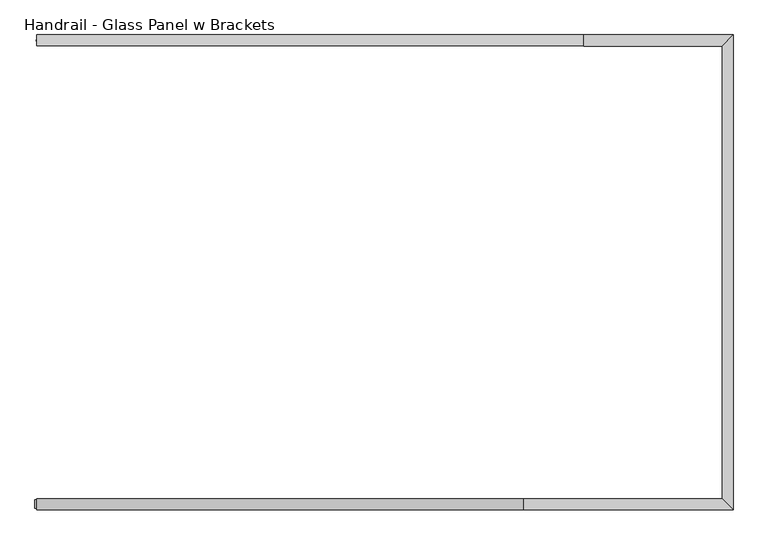
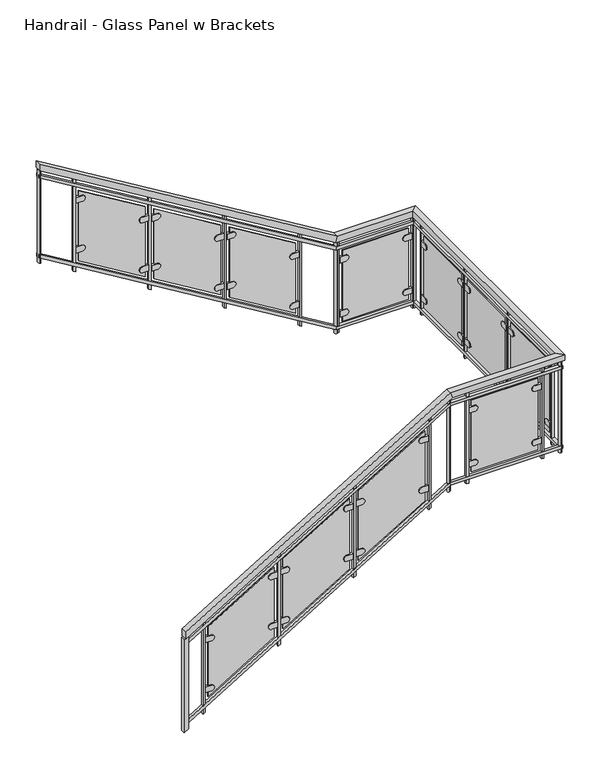
"""IFC4 building model written with IfcOpenShell, lengths in millimetres: railing geometry, Handrail - Glass Panel w Brackets."""

from ifc_helpers import new_model, si_unit, point, frame, frame_2d, origin, place, context, project, spatial, polyline, circle_curve, ellipse_curve, trimmed, segment, composite_curve, outline, extrude, faceted_brep, source, transform, mapped, element, save
from ifc_brep_helpers import plane_surface, cylinder_surface, advanced_brep


def handrail_glass_panel_w_brackets_da1cd19f(model_context):
    return source(origin(), model_context, "Body", "SolidModel", [
        faceted_brep([(-2988.7266552, 8278.177236, 1083.7333333), (-2988.7266552, 8328.977236, 1083.7333333), (-2988.7266552, 8328.977236, 1024.3318731), (-2988.7266552, 8278.177236, 1024.3318731), (-2988.7266552, 10462.577236, 3962.4), (-2988.7266552, 10462.577236, 3902.9985397), (-2988.7266552, 10411.777236, 3902.9985397), (-2988.7266552, 10411.777236, 3962.4), (-753.5266552, 8278.177236, 2438.4), (-753.5266552, 8328.977236, 2438.4), (-739.3342458, 8328.977236, 2387.6), (-739.3342458, 8278.177236, 2387.6), (211.6733448, 8278.177236, 2438.4), (160.8733448, 8328.977236, 2438.4), (160.8733448, 8328.977236, 2387.6), (211.6733448, 8278.177236, 2387.6), (211.6733448, 10462.577236, 2438.4), (160.8733448, 10411.777236, 2438.4), (160.8733448, 10411.777236, 2387.6), (211.6733448, 10462.577236, 2387.6), (-474.1266552, 10462.577236, 2438.4), (-474.1266552, 10411.777236, 2438.4), (-488.3190646, 10411.777236, 2387.6), (-488.3190646, 10462.577236, 2387.6)], [[[0, 1, 2, 3]], [[4, 5, 6, 7]], [[1, 0, 8, 9]], [[2, 1, 9, 10]], [[3, 2, 10, 11]], [[0, 3, 11, 8]], [[9, 8, 12, 13]], [[10, 9, 13, 14]], [[11, 10, 14, 15]], [[8, 11, 15, 12]], [[13, 12, 16, 17]], [[14, 13, 17, 18]], [[15, 14, 18, 19]], [[12, 15, 19, 16]], [[17, 16, 20, 21]], [[18, 17, 21, 22]], [[19, 18, 22, 23]], [[16, 19, 23, 20]], [[21, 20, 4, 7]], [[22, 21, 7, 6]], [[23, 22, 6, 5]], [[20, 23, 5, 4]]]),
        faceted_brep([(-2988.7266552, 8290.877236, 982.1333333), (-2988.7266552, 8316.277236, 982.1333333), (-2988.7266552, 8316.277236, 952.4326032), (-2988.7266552, 8290.877236, 952.4326032), (-2988.7266552, 10449.877236, 3860.8), (-2988.7266552, 10449.877236, 3831.0992699), (-2988.7266552, 10424.477236, 3831.0992699), (-2988.7266552, 10424.477236, 3860.8), (-753.5266552, 8290.877236, 2336.8), (-753.5266552, 8316.277236, 2336.8), (-746.4304505, 8316.277236, 2311.4), (-746.4304505, 8290.877236, 2311.4), (198.9733448, 8290.877236, 2336.8), (173.5733448, 8316.277236, 2336.8), (173.5733448, 8316.277236, 2311.4), (198.9733448, 8290.877236, 2311.4), (198.9733448, 10449.877236, 2336.8), (173.5733448, 10424.477236, 2336.8), (173.5733448, 10424.477236, 2311.4), (198.9733448, 10449.877236, 2311.4), (-474.1266552, 10449.877236, 2336.8), (-474.1266552, 10424.477236, 2336.8), (-481.2228599, 10424.477236, 2311.4), (-481.2228599, 10449.877236, 2311.4)], [[[0, 1, 2, 3]], [[4, 5, 6, 7]], [[1, 0, 8, 9]], [[2, 1, 9, 10]], [[3, 2, 10, 11]], [[0, 3, 11, 8]], [[9, 8, 12, 13]], [[10, 9, 13, 14]], [[11, 10, 14, 15]], [[8, 11, 15, 12]], [[13, 12, 16, 17]], [[14, 13, 17, 18]], [[15, 14, 18, 19]], [[12, 15, 19, 16]], [[17, 16, 20, 21]], [[18, 17, 21, 22]], [[19, 18, 22, 23]], [[16, 19, 23, 20]], [[21, 20, 4, 7]], [[22, 21, 7, 6]], [[23, 22, 6, 5]], [[20, 23, 5, 4]]]),
        faceted_brep([(-2988.7266552, 8290.877236, 270.9333333), (-2988.7266552, 8316.277236, 270.9333333), (-2988.7266552, 8316.277236, 241.2326032), (-2988.7266552, 8290.877236, 241.2326032), (-2988.7266552, 10449.877236, 3149.6), (-2988.7266552, 10449.877236, 3119.8992699), (-2988.7266552, 10424.477236, 3119.8992699), (-2988.7266552, 10424.477236, 3149.6), (-753.5266552, 8290.877236, 1625.6), (-753.5266552, 8316.277236, 1625.6), (-746.4304505, 8316.277236, 1600.2), (-746.4304505, 8290.877236, 1600.2), (198.9733448, 8290.877236, 1625.6), (173.5733448, 8316.277236, 1625.6), (173.5733448, 8316.277236, 1600.2), (198.9733448, 8290.877236, 1600.2), (198.9733448, 10449.877236, 1625.6), (173.5733448, 10424.477236, 1625.6), (173.5733448, 10424.477236, 1600.2), (198.9733448, 10449.877236, 1600.2), (-474.1266552, 10449.877236, 1625.6), (-474.1266552, 10424.477236, 1625.6), (-481.2228599, 10424.477236, 1600.2), (-481.2228599, 10449.877236, 1600.2)], [[[0, 1, 2, 3]], [[4, 5, 6, 7]], [[1, 0, 8, 9]], [[2, 1, 9, 10]], [[3, 2, 10, 11]], [[0, 3, 11, 8]], [[9, 8, 12, 13]], [[10, 9, 13, 14]], [[11, 10, 14, 15]], [[8, 11, 15, 12]], [[13, 12, 16, 17]], [[14, 13, 17, 18]], [[15, 14, 18, 19]], [[12, 15, 19, 16]], [[17, 16, 20, 21]], [[18, 17, 21, 22]], [[19, 18, 22, 23]], [[16, 19, 23, 20]], [[21, 20, 4, 7]], [[22, 21, 7, 6]], [[23, 22, 6, 5]], [[20, 23, 5, 4]]]),
        extrude(outline(polyline([(3712.4985397, -2674.4016552), (3724.0439943, -2693.4516552), (2895.7428874, -2693.4516552), (2884.1974329, -2674.4016552), (3712.4985397, -2674.4016552)])), frame((0.0, 10427.652236, 0.0), z_axis=(0.0, 1.0, 0.0), x_axis=(0.0, 0.0, 1.0)), (0.0, 0.0, 1.0), 19.05),
        extrude(outline(composite_curve([segment(polyline([(3545.2721069, -2620.4266552), (3545.2721069, -2671.2266552), (3494.4721069, -2671.2266552), (3494.4721069, -2620.4266552)]), True, "CONTINUOUS"), segment(trimmed(circle_curve(frame_2d((3519.8721069, -2620.4266552)), 25.4), [point((3494.4721069, -2620.4266552))], [point((3545.2721069, -2620.4266552))], False, "CARTESIAN"), True, "CONTINUOUS")], self_intersect=False)), frame((0.0, 10424.477236, 0.0), z_axis=(0.0, 1.0, 0.0), x_axis=(0.0, 0.0, 1.0)), (0.0, 0.0, 1.0), 19.05),
        extrude(outline(composite_curve([segment(trimmed(circle_curve(frame_2d((3150.4175615, -2112.4266552)), 25.4), [point((3175.8175615, -2112.4266552))], [point((3125.0175615, -2112.4266552))], False, "CARTESIAN"), True, "CONTINUOUS"), segment(polyline([(3125.0175615, -2112.4266552), (3125.0175615, -2061.6266552), (3175.8175615, -2061.6266552), (3175.8175615, -2112.4266552)]), True, "CONTINUOUS")], self_intersect=False)), frame((0.0, 10424.477236, 0.0), z_axis=(0.0, 1.0, 0.0), x_axis=(0.0, 0.0, 1.0)), (0.0, 0.0, 1.0), 19.05),
        extrude(outline(composite_curve([segment(polyline([(3101.3786781, -2620.4266552), (3101.3786781, -2671.2266552), (3050.5786781, -2671.2266552), (3050.5786781, -2620.4266552)]), True, "CONTINUOUS"), segment(trimmed(circle_curve(frame_2d((3075.9786781, -2620.4266552)), 25.4), [point((3050.5786781, -2620.4266552))], [point((3101.3786781, -2620.4266552))], False, "CARTESIAN"), True, "CONTINUOUS")], self_intersect=False)), frame((0.0, 10424.477236, 0.0), z_axis=(0.0, 1.0, 0.0), x_axis=(0.0, 0.0, 1.0)), (0.0, 0.0, 1.0), 19.05),
        extrude(outline(composite_curve([segment(trimmed(circle_curve(frame_2d((2706.5241326, -2112.4266552)), 25.4), [point((2731.9241326, -2112.4266552))], [point((2681.1241326, -2112.4266552))], False, "CARTESIAN"), True, "CONTINUOUS"), segment(polyline([(2681.1241326, -2112.4266552), (2681.1241326, -2061.6266552), (2731.9241326, -2061.6266552), (2731.9241326, -2112.4266552)]), True, "CONTINUOUS")], self_intersect=False)), frame((0.0, 10424.477236, 0.0), z_axis=(0.0, 1.0, 0.0), x_axis=(0.0, 0.0, 1.0)), (0.0, 0.0, 1.0), 19.05),
        extrude(outline(polyline([(3254.9136913, -2087.0266552), (3593.5803579, -2645.8266552), (2971.4825483, -2645.8266552), (2632.8158816, -2087.0266552), (3254.9136913, -2087.0266552)])), frame((0.0, 10430.827236, 0.0), z_axis=(0.0, 1.0, 0.0), x_axis=(0.0, 0.0, 1.0)), (0.0, 0.0, 1.0), 6.35),
        extrude(outline(polyline([(3327.6500549, -2039.4016552), (3339.1955094, -2058.4516552), (2510.8944026, -2058.4516552), (2499.348948, -2039.4016552), (3327.6500549, -2039.4016552)])), frame((0.0, 10427.652236, 0.0), z_axis=(0.0, 1.0, 0.0), x_axis=(0.0, 0.0, 1.0)), (0.0, 0.0, 1.0), 19.05),
        extrude(outline(composite_curve([segment(polyline([(3160.4236221, -1985.4266552), (3160.4236221, -2036.2266552), (3109.6236221, -2036.2266552), (3109.6236221, -1985.4266552)]), True, "CONTINUOUS"), segment(trimmed(circle_curve(frame_2d((3135.0236221, -1985.4266552)), 25.4), [point((3109.6236221, -1985.4266552))], [point((3160.4236221, -1985.4266552))], False, "CARTESIAN"), True, "CONTINUOUS")], self_intersect=False)), frame((0.0, 10424.477236, 0.0), z_axis=(0.0, 1.0, 0.0), x_axis=(0.0, 0.0, 1.0)), (0.0, 0.0, 1.0), 19.05),
        extrude(outline(composite_curve([segment(trimmed(circle_curve(frame_2d((2765.5690766, -1477.4266552)), 25.4), [point((2790.9690766, -1477.4266552))], [point((2740.1690766, -1477.4266552))], False, "CARTESIAN"), True, "CONTINUOUS"), segment(polyline([(2740.1690766, -1477.4266552), (2740.1690766, -1426.6266552), (2790.9690766, -1426.6266552), (2790.9690766, -1477.4266552)]), True, "CONTINUOUS")], self_intersect=False)), frame((0.0, 10424.477236, 0.0), z_axis=(0.0, 1.0, 0.0), x_axis=(0.0, 0.0, 1.0)), (0.0, 0.0, 1.0), 19.05),
        extrude(outline(composite_curve([segment(polyline([(2716.5301932, -1985.4266552), (2716.5301932, -2036.2266552), (2665.7301932, -2036.2266552), (2665.7301932, -1985.4266552)]), True, "CONTINUOUS"), segment(trimmed(circle_curve(frame_2d((2691.1301932, -1985.4266552)), 25.4), [point((2665.7301932, -1985.4266552))], [point((2716.5301932, -1985.4266552))], False, "CARTESIAN"), True, "CONTINUOUS")], self_intersect=False)), frame((0.0, 10424.477236, 0.0), z_axis=(0.0, 1.0, 0.0), x_axis=(0.0, 0.0, 1.0)), (0.0, 0.0, 1.0), 19.05),
        extrude(outline(composite_curve([segment(trimmed(circle_curve(frame_2d((2321.6756478, -1477.4266552)), 25.4), [point((2347.0756478, -1477.4266552))], [point((2296.2756478, -1477.4266552))], False, "CARTESIAN"), True, "CONTINUOUS"), segment(polyline([(2296.2756478, -1477.4266552), (2296.2756478, -1426.6266552), (2347.0756478, -1426.6266552), (2347.0756478, -1477.4266552)]), True, "CONTINUOUS")], self_intersect=False)), frame((0.0, 10424.477236, 0.0), z_axis=(0.0, 1.0, 0.0), x_axis=(0.0, 0.0, 1.0)), (0.0, 0.0, 1.0), 19.05),
        extrude(outline(polyline([(2870.0652064, -1452.0266552), (3208.7318731, -2010.8266552), (2586.6340635, -2010.8266552), (2247.9673968, -1452.0266552), (2870.0652064, -1452.0266552)])), frame((0.0, 10430.827236, 0.0), z_axis=(0.0, 1.0, 0.0), x_axis=(0.0, 0.0, 1.0)), (0.0, 0.0, 1.0), 6.35),
        extrude(outline(polyline([(2942.80157, -1404.4016552), (2954.3470246, -1423.4516552), (2126.0459177, -1423.4516552), (2114.5004632, -1404.4016552), (2942.80157, -1404.4016552)])), frame((0.0, 10427.652236, 0.0), z_axis=(0.0, 1.0, 0.0), x_axis=(0.0, 0.0, 1.0)), (0.0, 0.0, 1.0), 19.05),
        extrude(outline(composite_curve([segment(polyline([(2775.5751372, -1350.4266552), (2775.5751372, -1401.2266552), (2724.7751372, -1401.2266552), (2724.7751372, -1350.4266552)]), True, "CONTINUOUS"), segment(trimmed(circle_curve(frame_2d((2750.1751372, -1350.4266552)), 25.4), [point((2724.7751372, -1350.4266552))], [point((2775.5751372, -1350.4266552))], False, "CARTESIAN"), True, "CONTINUOUS")], self_intersect=False)), frame((0.0, 10424.477236, 0.0), z_axis=(0.0, 1.0, 0.0), x_axis=(0.0, 0.0, 1.0)), (0.0, 0.0, 1.0), 19.05),
        extrude(outline(composite_curve([segment(trimmed(circle_curve(frame_2d((2380.7205918, -842.4266552)), 25.4), [point((2406.1205918, -842.4266552))], [point((2355.3205918, -842.4266552))], False, "CARTESIAN"), True, "CONTINUOUS"), segment(polyline([(2355.3205918, -842.4266552), (2355.3205918, -791.6266552), (2406.1205918, -791.6266552), (2406.1205918, -842.4266552)]), True, "CONTINUOUS")], self_intersect=False)), frame((0.0, 10424.477236, 0.0), z_axis=(0.0, 1.0, 0.0), x_axis=(0.0, 0.0, 1.0)), (0.0, 0.0, 1.0), 19.05),
        extrude(outline(composite_curve([segment(polyline([(2331.6817084, -1350.4266552), (2331.6817084, -1401.2266552), (2280.8817084, -1401.2266552), (2280.8817084, -1350.4266552)]), True, "CONTINUOUS"), segment(trimmed(circle_curve(frame_2d((2306.2817084, -1350.4266552)), 25.4), [point((2280.8817084, -1350.4266552))], [point((2331.6817084, -1350.4266552))], False, "CARTESIAN"), True, "CONTINUOUS")], self_intersect=False)), frame((0.0, 10424.477236, 0.0), z_axis=(0.0, 1.0, 0.0), x_axis=(0.0, 0.0, 1.0)), (0.0, 0.0, 1.0), 19.05),
        extrude(outline(composite_curve([segment(trimmed(circle_curve(frame_2d((1936.8271629, -842.4266552)), 25.4), [point((1962.2271629, -842.4266552))], [point((1911.4271629, -842.4266552))], False, "CARTESIAN"), True, "CONTINUOUS"), segment(polyline([(1911.4271629, -842.4266552), (1911.4271629, -791.6266552), (1962.2271629, -791.6266552), (1962.2271629, -842.4266552)]), True, "CONTINUOUS")], self_intersect=False)), frame((0.0, 10424.477236, 0.0), z_axis=(0.0, 1.0, 0.0), x_axis=(0.0, 0.0, 1.0)), (0.0, 0.0, 1.0), 19.05),
        extrude(outline(polyline([(2485.2167216, -817.0266552), (2823.8833882, -1375.8266552), (2201.7855786, -1375.8266552), (1863.1189119, -817.0266552), (2485.2167216, -817.0266552)])), frame((0.0, 10430.827236, 0.0), z_axis=(0.0, 1.0, 0.0), x_axis=(0.0, 0.0, 1.0)), (0.0, 0.0, 1.0), 6.35),
        extrude(outline(polyline([(2557.9530852, -769.4016552), (2569.4985397, -788.4516552), (1741.1974329, -788.4516552), (1729.6519783, -769.4016552), (2557.9530852, -769.4016552)])), frame((0.0, 10427.652236, 0.0), z_axis=(0.0, 1.0, 0.0), x_axis=(0.0, 0.0, 1.0)), (0.0, 0.0, 1.0), 19.05),
        extrude(outline(polyline([(-451.9016552, 10446.702236), (-451.9016552, 10427.652236), (-470.9516552, 10427.652236), (-470.9516552, 10446.702236), (-451.9016552, 10446.702236)])), frame((0.0, 0.0, 1565.275), z_axis=(0.0, 0.0, 1.0), x_axis=(1.0, 0.0, 0.0)), (0.0, 0.0, 1.0), 822.325),
        extrude(outline(composite_curve([segment(polyline([(2235.2, -397.9266552), (2235.2, -448.7266552), (2184.4, -448.7266552), (2184.4, -397.9266552)]), True, "CONTINUOUS"), segment(trimmed(circle_curve(frame_2d((2209.8, -397.9266552)), 25.4), [point((2184.4, -397.9266552))], [point((2235.2, -397.9266552))], False, "CARTESIAN"), True, "CONTINUOUS")], self_intersect=False)), frame((0.0, 10424.477236, 0.0), z_axis=(0.0, 1.0, 0.0), x_axis=(0.0, 0.0, 1.0)), (0.0, 0.0, 1.0), 19.05),
        extrude(outline(composite_curve([segment(trimmed(circle_curve(frame_2d((2209.8, 110.0733448)), 25.4), [point((2235.2, 110.0733448))], [point((2184.4, 110.0733448))], False, "CARTESIAN"), True, "CONTINUOUS"), segment(polyline([(2184.4, 110.0733448), (2184.4, 160.8733448), (2235.2, 160.8733448), (2235.2, 110.0733448)]), True, "CONTINUOUS")], self_intersect=False)), frame((0.0, 10424.477236, 0.0), z_axis=(0.0, 1.0, 0.0), x_axis=(0.0, 0.0, 1.0)), (0.0, 0.0, 1.0), 19.05),
        extrude(outline(composite_curve([segment(polyline([(1752.6, -397.9266552), (1752.6, -448.7266552), (1701.8, -448.7266552), (1701.8, -397.9266552)]), True, "CONTINUOUS"), segment(trimmed(circle_curve(frame_2d((1727.2, -397.9266552)), 25.4), [point((1701.8, -397.9266552))], [point((1752.6, -397.9266552))], False, "CARTESIAN"), True, "CONTINUOUS")], self_intersect=False)), frame((0.0, 10424.477236, 0.0), z_axis=(0.0, 1.0, 0.0), x_axis=(0.0, 0.0, 1.0)), (0.0, 0.0, 1.0), 19.05),
        extrude(outline(composite_curve([segment(trimmed(circle_curve(frame_2d((1727.2, 110.0733448)), 25.4), [point((1752.6, 110.0733448))], [point((1701.8, 110.0733448))], False, "CARTESIAN"), True, "CONTINUOUS"), segment(polyline([(1701.8, 110.0733448), (1701.8, 160.8733448), (1752.6, 160.8733448), (1752.6, 110.0733448)]), True, "CONTINUOUS")], self_intersect=False)), frame((0.0, 10424.477236, 0.0), z_axis=(0.0, 1.0, 0.0), x_axis=(0.0, 0.0, 1.0)), (0.0, 0.0, 1.0), 19.05),
        extrude(outline(polyline([(135.4733448, 10430.827236), (-423.3266552, 10430.827236), (-423.3266552, 10437.177236), (135.4733448, 10437.177236), (135.4733448, 10430.827236)])), frame((0.0, 0.0, 1651.0), z_axis=(0.0, 0.0, 1.0), x_axis=(1.0, 0.0, 0.0)), (0.0, 0.0, 1.0), 635.0),
        extrude(outline(polyline([(183.0983448, 10446.702236), (183.0983448, 10427.652236), (164.0483448, 10427.652236), (164.0483448, 10446.702236), (183.0983448, 10446.702236)])), frame((0.0, 0.0, 1565.275), z_axis=(0.0, 0.0, 1.0), x_axis=(1.0, 0.0, 0.0)), (0.0, 0.0, 1.0), 822.325),
        extrude(outline(polyline([(195.7983448, 10313.352236), (176.7483448, 10313.352236), (176.7483448, 10332.402236), (195.7983448, 10332.402236), (195.7983448, 10313.352236)])), frame((0.0, 0.0, 1565.275), z_axis=(0.0, 0.0, 1.0), x_axis=(1.0, 0.0, 0.0)), (0.0, 0.0, 1.0), 822.325),
        extrude(outline(composite_curve([segment(polyline([(10259.377236, 2235.2), (10310.177236, 2235.2), (10310.177236, 2184.4), (10259.377236, 2184.4)]), True, "CONTINUOUS"), segment(trimmed(circle_curve(frame_2d((10259.377236, 2209.8)), 25.4), [point((10259.377236, 2184.4))], [point((10259.377236, 2235.2))], False, "CARTESIAN"), True, "CONTINUOUS")], self_intersect=False)), frame((173.5733448, 0.0, 0.0), z_axis=(1.0, 0.0, 0.0), x_axis=(0.0, 1.0, 0.0)), (0.0, 0.0, 1.0), 19.05),
        extrude(outline(composite_curve([segment(trimmed(circle_curve(frame_2d((9751.377236, 2209.8)), 25.4), [point((9751.377236, 2235.2))], [point((9751.377236, 2184.4))], False, "CARTESIAN"), True, "CONTINUOUS"), segment(polyline([(9751.377236, 2184.4), (9700.577236, 2184.4), (9700.577236, 2235.2), (9751.377236, 2235.2)]), True, "CONTINUOUS")], self_intersect=False)), frame((173.5733448, 0.0, 0.0), z_axis=(1.0, 0.0, 0.0), x_axis=(0.0, 1.0, 0.0)), (0.0, 0.0, 1.0), 19.05),
        extrude(outline(composite_curve([segment(polyline([(10259.377236, 1752.6), (10310.177236, 1752.6), (10310.177236, 1701.8), (10259.377236, 1701.8)]), True, "CONTINUOUS"), segment(trimmed(circle_curve(frame_2d((10259.377236, 1727.2)), 25.4), [point((10259.377236, 1701.8))], [point((10259.377236, 1752.6))], False, "CARTESIAN"), True, "CONTINUOUS")], self_intersect=False)), frame((173.5733448, 0.0, 0.0), z_axis=(1.0, 0.0, 0.0), x_axis=(0.0, 1.0, 0.0)), (0.0, 0.0, 1.0), 19.05),
        extrude(outline(composite_curve([segment(trimmed(circle_curve(frame_2d((9751.377236, 1727.2)), 25.4), [point((9751.377236, 1752.6))], [point((9751.377236, 1701.8))], False, "CARTESIAN"), True, "CONTINUOUS"), segment(polyline([(9751.377236, 1701.8), (9700.577236, 1701.8), (9700.577236, 1752.6), (9751.377236, 1752.6)]), True, "CONTINUOUS")], self_intersect=False)), frame((173.5733448, 0.0, 0.0), z_axis=(1.0, 0.0, 0.0), x_axis=(0.0, 1.0, 0.0)), (0.0, 0.0, 1.0), 19.05),
        extrude(outline(polyline([(179.9233448, 9725.977236), (179.9233448, 10284.777236), (186.2733448, 10284.777236), (186.2733448, 9725.977236), (179.9233448, 9725.977236)])), frame((0.0, 0.0, 1651.0), z_axis=(0.0, 0.0, 1.0), x_axis=(1.0, 0.0, 0.0)), (0.0, 0.0, 1.0), 635.0),
        extrude(outline(polyline([(195.7983448, 9678.352236), (176.7483448, 9678.352236), (176.7483448, 9697.402236), (195.7983448, 9697.402236), (195.7983448, 9678.352236)])), frame((0.0, 0.0, 1565.275), z_axis=(0.0, 0.0, 1.0), x_axis=(1.0, 0.0, 0.0)), (0.0, 0.0, 1.0), 822.325),
        extrude(outline(composite_curve([segment(polyline([(9624.377236, 2235.2), (9675.177236, 2235.2), (9675.177236, 2184.4), (9624.377236, 2184.4)]), True, "CONTINUOUS"), segment(trimmed(circle_curve(frame_2d((9624.377236, 2209.8)), 25.4), [point((9624.377236, 2184.4))], [point((9624.377236, 2235.2))], False, "CARTESIAN"), True, "CONTINUOUS")], self_intersect=False)), frame((173.5733448, 0.0, 0.0), z_axis=(1.0, 0.0, 0.0), x_axis=(0.0, 1.0, 0.0)), (0.0, 0.0, 1.0), 19.05),
        extrude(outline(composite_curve([segment(trimmed(circle_curve(frame_2d((9116.377236, 2209.8)), 25.4), [point((9116.377236, 2235.2))], [point((9116.377236, 2184.4))], False, "CARTESIAN"), True, "CONTINUOUS"), segment(polyline([(9116.377236, 2184.4), (9065.577236, 2184.4), (9065.577236, 2235.2), (9116.377236, 2235.2)]), True, "CONTINUOUS")], self_intersect=False)), frame((173.5733448, 0.0, 0.0), z_axis=(1.0, 0.0, 0.0), x_axis=(0.0, 1.0, 0.0)), (0.0, 0.0, 1.0), 19.05),
        extrude(outline(composite_curve([segment(polyline([(9624.377236, 1752.6), (9675.177236, 1752.6), (9675.177236, 1701.8), (9624.377236, 1701.8)]), True, "CONTINUOUS"), segment(trimmed(circle_curve(frame_2d((9624.377236, 1727.2)), 25.4), [point((9624.377236, 1701.8))], [point((9624.377236, 1752.6))], False, "CARTESIAN"), True, "CONTINUOUS")], self_intersect=False)), frame((173.5733448, 0.0, 0.0), z_axis=(1.0, 0.0, 0.0), x_axis=(0.0, 1.0, 0.0)), (0.0, 0.0, 1.0), 19.05),
        extrude(outline(composite_curve([segment(trimmed(circle_curve(frame_2d((9116.377236, 1727.2)), 25.4), [point((9116.377236, 1752.6))], [point((9116.377236, 1701.8))], False, "CARTESIAN"), True, "CONTINUOUS"), segment(polyline([(9116.377236, 1701.8), (9065.577236, 1701.8), (9065.577236, 1752.6), (9116.377236, 1752.6)]), True, "CONTINUOUS")], self_intersect=False)), frame((173.5733448, 0.0, 0.0), z_axis=(1.0, 0.0, 0.0), x_axis=(0.0, 1.0, 0.0)), (0.0, 0.0, 1.0), 19.05),
        extrude(outline(polyline([(179.9233448, 9090.977236), (179.9233448, 9649.777236), (186.2733448, 9649.777236), (186.2733448, 9090.977236), (179.9233448, 9090.977236)])), frame((0.0, 0.0, 1651.0), z_axis=(0.0, 0.0, 1.0), x_axis=(1.0, 0.0, 0.0)), (0.0, 0.0, 1.0), 635.0),
        extrude(outline(polyline([(195.7983448, 9043.352236), (176.7483448, 9043.352236), (176.7483448, 9062.402236), (195.7983448, 9062.402236), (195.7983448, 9043.352236)])), frame((0.0, 0.0, 1565.275), z_axis=(0.0, 0.0, 1.0), x_axis=(1.0, 0.0, 0.0)), (0.0, 0.0, 1.0), 822.325),
        extrude(outline(composite_curve([segment(polyline([(8989.377236, 2235.2), (9040.177236, 2235.2), (9040.177236, 2184.4), (8989.377236, 2184.4)]), True, "CONTINUOUS"), segment(trimmed(circle_curve(frame_2d((8989.377236, 2209.8)), 25.4), [point((8989.377236, 2184.4))], [point((8989.377236, 2235.2))], False, "CARTESIAN"), True, "CONTINUOUS")], self_intersect=False)), frame((173.5733448, 0.0, 0.0), z_axis=(1.0, 0.0, 0.0), x_axis=(0.0, 1.0, 0.0)), (0.0, 0.0, 1.0), 19.05),
        extrude(outline(composite_curve([segment(trimmed(circle_curve(frame_2d((8481.377236, 2209.8)), 25.4), [point((8481.377236, 2235.2))], [point((8481.377236, 2184.4))], False, "CARTESIAN"), True, "CONTINUOUS"), segment(polyline([(8481.377236, 2184.4), (8430.577236, 2184.4), (8430.577236, 2235.2), (8481.377236, 2235.2)]), True, "CONTINUOUS")], self_intersect=False)), frame((173.5733448, 0.0, 0.0), z_axis=(1.0, 0.0, 0.0), x_axis=(0.0, 1.0, 0.0)), (0.0, 0.0, 1.0), 19.05),
        extrude(outline(composite_curve([segment(polyline([(8989.377236, 1752.6), (9040.177236, 1752.6), (9040.177236, 1701.8), (8989.377236, 1701.8)]), True, "CONTINUOUS"), segment(trimmed(circle_curve(frame_2d((8989.377236, 1727.2)), 25.4), [point((8989.377236, 1701.8))], [point((8989.377236, 1752.6))], False, "CARTESIAN"), True, "CONTINUOUS")], self_intersect=False)), frame((173.5733448, 0.0, 0.0), z_axis=(1.0, 0.0, 0.0), x_axis=(0.0, 1.0, 0.0)), (0.0, 0.0, 1.0), 19.05),
        extrude(outline(composite_curve([segment(trimmed(circle_curve(frame_2d((8481.377236, 1727.2)), 25.4), [point((8481.377236, 1752.6))], [point((8481.377236, 1701.8))], False, "CARTESIAN"), True, "CONTINUOUS"), segment(polyline([(8481.377236, 1701.8), (8430.577236, 1701.8), (8430.577236, 1752.6), (8481.377236, 1752.6)]), True, "CONTINUOUS")], self_intersect=False)), frame((173.5733448, 0.0, 0.0), z_axis=(1.0, 0.0, 0.0), x_axis=(0.0, 1.0, 0.0)), (0.0, 0.0, 1.0), 19.05),
        extrude(outline(polyline([(179.9233448, 8455.977236), (179.9233448, 9014.777236), (186.2733448, 9014.777236), (186.2733448, 8455.977236), (179.9233448, 8455.977236)])), frame((0.0, 0.0, 1651.0), z_axis=(0.0, 0.0, 1.0), x_axis=(1.0, 0.0, 0.0)), (0.0, 0.0, 1.0), 635.0),
        extrude(outline(polyline([(195.7983448, 8408.352236), (176.7483448, 8408.352236), (176.7483448, 8427.402236), (195.7983448, 8427.402236), (195.7983448, 8408.352236)])), frame((0.0, 0.0, 1565.275), z_axis=(0.0, 0.0, 1.0), x_axis=(1.0, 0.0, 0.0)), (0.0, 0.0, 1.0), 822.325),
        extrude(outline(polyline([(24.3483448, 8294.052236), (24.3483448, 8313.102236), (43.3983448, 8313.102236), (43.3983448, 8294.052236), (24.3483448, 8294.052236)])), frame((0.0, 0.0, 1565.275), z_axis=(0.0, 0.0, 1.0), x_axis=(1.0, 0.0, 0.0)), (0.0, 0.0, 1.0), 822.325),
        extrude(outline(composite_curve([segment(trimmed(circle_curve(frame_2d((2209.8, -29.6266552)), 25.4), [point((2235.2, -29.6266552))], [point((2184.4, -29.6266552))], False, "CARTESIAN"), True, "CONTINUOUS"), segment(polyline([(2184.4, -29.6266552), (2184.4, 21.1733448), (2235.2, 21.1733448), (2235.2, -29.6266552)]), True, "CONTINUOUS")], self_intersect=False)), frame((0.0, 8297.227236, 0.0), z_axis=(0.0, 1.0, 0.0), x_axis=(0.0, 0.0, 1.0)), (0.0, 0.0, 1.0), 19.05),
        extrude(outline(composite_curve([segment(polyline([(2235.2, -537.6266552), (2235.2, -588.4266552), (2184.4, -588.4266552), (2184.4, -537.6266552)]), True, "CONTINUOUS"), segment(trimmed(circle_curve(frame_2d((2209.8, -537.6266552)), 25.4), [point((2184.4, -537.6266552))], [point((2235.2, -537.6266552))], False, "CARTESIAN"), True, "CONTINUOUS")], self_intersect=False)), frame((0.0, 8297.227236, 0.0), z_axis=(0.0, 1.0, 0.0), x_axis=(0.0, 0.0, 1.0)), (0.0, 0.0, 1.0), 19.05),
        extrude(outline(composite_curve([segment(trimmed(circle_curve(frame_2d((1727.2, -29.6266552)), 25.4), [point((1752.6, -29.6266552))], [point((1701.8, -29.6266552))], False, "CARTESIAN"), True, "CONTINUOUS"), segment(polyline([(1701.8, -29.6266552), (1701.8, 21.1733448), (1752.6, 21.1733448), (1752.6, -29.6266552)]), True, "CONTINUOUS")], self_intersect=False)), frame((0.0, 8297.227236, 0.0), z_axis=(0.0, 1.0, 0.0), x_axis=(0.0, 0.0, 1.0)), (0.0, 0.0, 1.0), 19.05),
        extrude(outline(composite_curve([segment(polyline([(1752.6, -537.6266552), (1752.6, -588.4266552), (1701.8, -588.4266552), (1701.8, -537.6266552)]), True, "CONTINUOUS"), segment(trimmed(circle_curve(frame_2d((1727.2, -537.6266552)), 25.4), [point((1701.8, -537.6266552))], [point((1752.6, -537.6266552))], False, "CARTESIAN"), True, "CONTINUOUS")], self_intersect=False)), frame((0.0, 8297.227236, 0.0), z_axis=(0.0, 1.0, 0.0), x_axis=(0.0, 0.0, 1.0)), (0.0, 0.0, 1.0), 19.05),
        extrude(outline(polyline([(-563.0266552, 8309.927236), (-4.2266552, 8309.927236), (-4.2266552, 8303.577236), (-563.0266552, 8303.577236), (-563.0266552, 8309.927236)])), frame((0.0, 0.0, 1651.0), z_axis=(0.0, 0.0, 1.0), x_axis=(1.0, 0.0, 0.0)), (0.0, 0.0, 1.0), 635.0),
        extrude(outline(polyline([(-610.6516552, 8294.052236), (-610.6516552, 8313.102236), (-591.6016552, 8313.102236), (-591.6016552, 8294.052236), (-610.6516552, 8294.052236)])), frame((0.0, 0.0, 1565.275), z_axis=(0.0, 0.0, 1.0), x_axis=(1.0, 0.0, 0.0)), (0.0, 0.0, 1.0), 822.325),
        extrude(outline(polyline([(2284.710661, -909.1016552), (2273.1652064, -928.1516552), (1444.8640995, -928.1516552), (1456.4095541, -909.1016552), (2284.710661, -909.1016552)])), frame((0.0, 8294.052236, 0.0), z_axis=(0.0, 1.0, 0.0), x_axis=(0.0, 0.0, 1.0)), (0.0, 0.0, 1.0), 19.05),
        extrude(outline(composite_curve([segment(trimmed(circle_curve(frame_2d((2080.5387736, -982.1266552)), 25.4), [point((2105.9387736, -982.1266552))], [point((2055.1387736, -982.1266552))], False, "CARTESIAN"), True, "CONTINUOUS"), segment(polyline([(2055.1387736, -982.1266552), (2055.1387736, -931.3266552), (2105.9387736, -931.3266552), (2105.9387736, -982.1266552)]), True, "CONTINUOUS")], self_intersect=False)), frame((0.0, 8297.227236, 0.0), z_axis=(0.0, 1.0, 0.0), x_axis=(0.0, 0.0, 1.0)), (0.0, 0.0, 1.0), 19.05),
        extrude(outline(composite_curve([segment(polyline([(1736.4842282, -1490.1266552), (1736.4842282, -1540.9266552), (1685.6842282, -1540.9266552), (1685.6842282, -1490.1266552)]), True, "CONTINUOUS"), segment(trimmed(circle_curve(frame_2d((1711.0842282, -1490.1266552)), 25.4), [point((1685.6842282, -1490.1266552))], [point((1736.4842282, -1490.1266552))], False, "CARTESIAN"), True, "CONTINUOUS")], self_intersect=False)), frame((0.0, 8297.227236, 0.0), z_axis=(0.0, 1.0, 0.0), x_axis=(0.0, 0.0, 1.0)), (0.0, 0.0, 1.0), 19.05),
        extrude(outline(composite_curve([segment(trimmed(circle_curve(frame_2d((1636.6453447, -982.1266552)), 25.4), [point((1662.0453447, -982.1266552))], [point((1611.2453447, -982.1266552))], False, "CARTESIAN"), True, "CONTINUOUS"), segment(polyline([(1611.2453447, -982.1266552), (1611.2453447, -931.3266552), (1662.0453447, -931.3266552), (1662.0453447, -982.1266552)]), True, "CONTINUOUS")], self_intersect=False)), frame((0.0, 8297.227236, 0.0), z_axis=(0.0, 1.0, 0.0), x_axis=(0.0, 0.0, 1.0)), (0.0, 0.0, 1.0), 19.05),
        extrude(outline(composite_curve([segment(polyline([(1292.5907993, -1490.1266552), (1292.5907993, -1540.9266552), (1241.7907993, -1540.9266552), (1241.7907993, -1490.1266552)]), True, "CONTINUOUS"), segment(trimmed(circle_curve(frame_2d((1267.1907993, -1490.1266552)), 25.4), [point((1241.7907993, -1490.1266552))], [point((1292.5907993, -1490.1266552))], False, "CARTESIAN"), True, "CONTINUOUS")], self_intersect=False)), frame((0.0, 8297.227236, 0.0), z_axis=(0.0, 1.0, 0.0), x_axis=(0.0, 0.0, 1.0)), (0.0, 0.0, 1.0), 19.05),
        extrude(outline(polyline([(1815.5803579, -1515.5266552), (1193.4825483, -1515.5266552), (1532.149215, -956.7266552), (2154.2470246, -956.7266552), (1815.5803579, -1515.5266552)])), frame((0.0, 8303.577236, 0.0), z_axis=(0.0, 1.0, 0.0), x_axis=(0.0, 0.0, 1.0)), (0.0, 0.0, 1.0), 6.35),
        extrude(outline(polyline([(1899.8621761, -1544.1016552), (1888.3167216, -1563.1516552), (1060.0156147, -1563.1516552), (1071.5610692, -1544.1016552), (1899.8621761, -1544.1016552)])), frame((0.0, 8294.052236, 0.0), z_axis=(0.0, 1.0, 0.0), x_axis=(0.0, 0.0, 1.0)), (0.0, 0.0, 1.0), 19.05),
        extrude(outline(composite_curve([segment(trimmed(circle_curve(frame_2d((1695.6902888, -1617.1266552)), 25.4), [point((1721.0902888, -1617.1266552))], [point((1670.2902888, -1617.1266552))], False, "CARTESIAN"), True, "CONTINUOUS"), segment(polyline([(1670.2902888, -1617.1266552), (1670.2902888, -1566.3266552), (1721.0902888, -1566.3266552), (1721.0902888, -1617.1266552)]), True, "CONTINUOUS")], self_intersect=False)), frame((0.0, 8297.227236, 0.0), z_axis=(0.0, 1.0, 0.0), x_axis=(0.0, 0.0, 1.0)), (0.0, 0.0, 1.0), 19.05),
        extrude(outline(composite_curve([segment(polyline([(1351.6357433, -2125.1266552), (1351.6357433, -2175.9266552), (1300.8357433, -2175.9266552), (1300.8357433, -2125.1266552)]), True, "CONTINUOUS"), segment(trimmed(circle_curve(frame_2d((1326.2357433, -2125.1266552)), 25.4), [point((1300.8357433, -2125.1266552))], [point((1351.6357433, -2125.1266552))], False, "CARTESIAN"), True, "CONTINUOUS")], self_intersect=False)), frame((0.0, 8297.227236, 0.0), z_axis=(0.0, 1.0, 0.0), x_axis=(0.0, 0.0, 1.0)), (0.0, 0.0, 1.0), 19.05),
        extrude(outline(composite_curve([segment(trimmed(circle_curve(frame_2d((1251.7968599, -1617.1266552)), 25.4), [point((1277.1968599, -1617.1266552))], [point((1226.3968599, -1617.1266552))], False, "CARTESIAN"), True, "CONTINUOUS"), segment(polyline([(1226.3968599, -1617.1266552), (1226.3968599, -1566.3266552), (1277.1968599, -1566.3266552), (1277.1968599, -1617.1266552)]), True, "CONTINUOUS")], self_intersect=False)), frame((0.0, 8297.227236, 0.0), z_axis=(0.0, 1.0, 0.0), x_axis=(0.0, 0.0, 1.0)), (0.0, 0.0, 1.0), 19.05),
        extrude(outline(composite_curve([segment(polyline([(907.7423144, -2125.1266552), (907.7423144, -2175.9266552), (856.9423144, -2175.9266552), (856.9423144, -2125.1266552)]), True, "CONTINUOUS"), segment(trimmed(circle_curve(frame_2d((882.3423144, -2125.1266552)), 25.4), [point((856.9423144, -2125.1266552))], [point((907.7423144, -2125.1266552))], False, "CARTESIAN"), True, "CONTINUOUS")], self_intersect=False)), frame((0.0, 8297.227236, 0.0), z_axis=(0.0, 1.0, 0.0), x_axis=(0.0, 0.0, 1.0)), (0.0, 0.0, 1.0), 19.05),
        extrude(outline(polyline([(1430.7318731, -2150.5266552), (808.6340635, -2150.5266552), (1147.3007301, -1591.7266552), (1769.3985397, -1591.7266552), (1430.7318731, -2150.5266552)])), frame((0.0, 8303.577236, 0.0), z_axis=(0.0, 1.0, 0.0), x_axis=(0.0, 0.0, 1.0)), (0.0, 0.0, 1.0), 6.35),
        extrude(outline(polyline([(1515.0136913, -2179.1016552), (1503.4682367, -2198.1516552), (675.1671298, -2198.1516552), (686.7125844, -2179.1016552), (1515.0136913, -2179.1016552)])), frame((0.0, 8294.052236, 0.0), z_axis=(0.0, 1.0, 0.0), x_axis=(0.0, 0.0, 1.0)), (0.0, 0.0, 1.0), 19.05),
        extrude(outline(composite_curve([segment(trimmed(circle_curve(frame_2d((1310.8418039, -2252.1266552)), 25.4), [point((1336.2418039, -2252.1266552))], [point((1285.4418039, -2252.1266552))], False, "CARTESIAN"), True, "CONTINUOUS"), segment(polyline([(1285.4418039, -2252.1266552), (1285.4418039, -2201.3266552), (1336.2418039, -2201.3266552), (1336.2418039, -2252.1266552)]), True, "CONTINUOUS")], self_intersect=False)), frame((0.0, 8297.227236, 0.0), z_axis=(0.0, 1.0, 0.0), x_axis=(0.0, 0.0, 1.0)), (0.0, 0.0, 1.0), 19.05),
        extrude(outline(composite_curve([segment(polyline([(966.7872585, -2760.1266552), (966.7872585, -2810.9266552), (915.9872585, -2810.9266552), (915.9872585, -2760.1266552)]), True, "CONTINUOUS"), segment(trimmed(circle_curve(frame_2d((941.3872585, -2760.1266552)), 25.4), [point((915.9872585, -2760.1266552))], [point((966.7872585, -2760.1266552))], False, "CARTESIAN"), True, "CONTINUOUS")], self_intersect=False)), frame((0.0, 8297.227236, 0.0), z_axis=(0.0, 1.0, 0.0), x_axis=(0.0, 0.0, 1.0)), (0.0, 0.0, 1.0), 19.05),
        extrude(outline(composite_curve([segment(trimmed(circle_curve(frame_2d((866.9483751, -2252.1266552)), 25.4), [point((892.3483751, -2252.1266552))], [point((841.5483751, -2252.1266552))], False, "CARTESIAN"), True, "CONTINUOUS"), segment(polyline([(841.5483751, -2252.1266552), (841.5483751, -2201.3266552), (892.3483751, -2201.3266552), (892.3483751, -2252.1266552)]), True, "CONTINUOUS")], self_intersect=False)), frame((0.0, 8297.227236, 0.0), z_axis=(0.0, 1.0, 0.0), x_axis=(0.0, 0.0, 1.0)), (0.0, 0.0, 1.0), 19.05),
        extrude(outline(composite_curve([segment(polyline([(522.8938296, -2760.1266552), (522.8938296, -2810.9266552), (472.0938296, -2810.9266552), (472.0938296, -2760.1266552)]), True, "CONTINUOUS"), segment(trimmed(circle_curve(frame_2d((497.4938296, -2760.1266552)), 25.4), [point((472.0938296, -2760.1266552))], [point((522.8938296, -2760.1266552))], False, "CARTESIAN"), True, "CONTINUOUS")], self_intersect=False)), frame((0.0, 8297.227236, 0.0), z_axis=(0.0, 1.0, 0.0), x_axis=(0.0, 0.0, 1.0)), (0.0, 0.0, 1.0), 19.05),
        extrude(outline(polyline([(1045.8833882, -2785.5266552), (423.7855786, -2785.5266552), (762.4522453, -2226.7266552), (1384.5500549, -2226.7266552), (1045.8833882, -2785.5266552)])), frame((0.0, 8303.577236, 0.0), z_axis=(0.0, 1.0, 0.0), x_axis=(0.0, 0.0, 1.0)), (0.0, 0.0, 1.0), 6.35),
        extrude(outline(polyline([(1130.1652064, -2814.1016552), (1118.6197519, -2833.1516552), (290.318645, -2833.1516552), (301.8640995, -2814.1016552), (1130.1652064, -2814.1016552)])), frame((0.0, 8294.052236, 0.0), z_axis=(0.0, 1.0, 0.0), x_axis=(0.0, 0.0, 1.0)), (0.0, 0.0, 1.0), 19.05),
        extrude(outline(composite_curve([segment(trimmed(circle_curve(frame_2d((-474.1266552, 10437.177236)), 12.7), [point((-474.1266552, 10424.477236))], [point((-474.1266552, 10449.877236))], False, "CARTESIAN"), True, "CONTINUOUS"), segment(trimmed(circle_curve(frame_2d((-474.1266552, 10437.177236)), 12.7), [point((-474.1266552, 10449.877236))], [point((-474.1266552, 10424.477236))], False, "CARTESIAN"), True, "CONTINUOUS")], self_intersect=False)), frame((0.0, 0.0, 1565.275), z_axis=(0.0, 0.0, 1.0), x_axis=(1.0, 0.0, 0.0)), (0.0, 0.0, 1.0), 822.325),
        extrude(outline(composite_curve([segment(trimmed(circle_curve(frame_2d((186.2733448, 10437.177236)), 12.7), [point((173.5733448, 10437.177236))], [point((198.9733448, 10437.177236))], False, "CARTESIAN"), True, "CONTINUOUS"), segment(trimmed(circle_curve(frame_2d((186.2733448, 10437.177236)), 12.7), [point((198.9733448, 10437.177236))], [point((173.5733448, 10437.177236))], False, "CARTESIAN"), True, "CONTINUOUS")], self_intersect=False)), frame((0.0, 0.0, 1565.275), z_axis=(0.0, 0.0, 1.0), x_axis=(1.0, 0.0, 0.0)), (0.0, 0.0, 1.0), 822.325),
        extrude(outline(composite_curve([segment(trimmed(circle_curve(frame_2d((186.2733448, 8303.577236)), 12.7), [point((186.2733448, 8316.277236))], [point((186.2733448, 8290.877236))], False, "CARTESIAN"), True, "CONTINUOUS"), segment(trimmed(circle_curve(frame_2d((186.2733448, 8303.577236)), 12.7), [point((186.2733448, 8290.877236))], [point((186.2733448, 8316.277236))], False, "CARTESIAN"), True, "CONTINUOUS")], self_intersect=False)), frame((0.0, 0.0, 1565.275), z_axis=(0.0, 0.0, 1.0), x_axis=(1.0, 0.0, 0.0)), (0.0, 0.0, 1.0), 822.325),
        advanced_brep(
        [(-753.5266552, 8290.877236, 2378.9985397), (-753.5266552, 8290.877236, 1550.6974329), (-753.5266552, 8316.277236, 1550.6974329), (-753.5266552, 8316.277236, 2378.9985397)],
        [
            (0, 1),
            (1, 2, ellipse_curve(frame((-753.5266552, 8303.577236, 1550.6974329), z_axis=(-0.5183017160933442, 0.0, 0.855197831554018), x_axis=(0.8551978315540179, 0.0, 0.518301716093344)), 14.8503651, 12.7)),
            (2, 3),
            (3, 0, ellipse_curve(frame((-753.5266552, 8303.577236, 2378.9985397), z_axis=(0.5183017160933416, 0.0, -0.8551978315540195), x_axis=(0.8551978315540195, 0.0, 0.5183017160933416)), 14.8503651, 12.7)),
            (0, 3, ellipse_curve(frame((-753.5266552, 8303.577236, 2378.9985397), z_axis=(0.5183017160933416, 0.0, -0.8551978315540195), x_axis=(0.8551978315540195, 0.0, 0.5183017160933416)), 14.8503651, 12.7)),
            (2, 1, ellipse_curve(frame((-753.5266552, 8303.577236, 1550.6974329), z_axis=(-0.5183017160933442, 0.0, 0.855197831554018), x_axis=(0.8551978315540179, 0.0, 0.518301716093344)), 14.8503651, 12.7)),
        ],
        [
            cylinder_surface(frame((-753.5266552, 8303.577236, 1322.0974329), z_axis=(0.0, 0.0, 1.0), x_axis=(0.0, 1.0, 0.0)), 12.7),
            plane_surface(frame((-728.1266552, 8328.977236, 2394.3924791), z_axis=(-0.5183017160933416, 0.0, 0.8551978315540195), x_axis=(0.0, -1.0, 0.0))),
            plane_surface(frame((-778.9266552, 8328.977236, 1535.3034935), z_axis=(0.5183017160933442, 0.0, -0.855197831554018), x_axis=(0.0, -1.0, 0.0))),
        ],
        [
            (0, [[1, 2, 3, 4]]),
            (0, [[-1, 5, -3, 6]]),
            (1, [[-4, -5]]),
            (2, [[-2, -6]]),
        ],
    ),
        advanced_brep(
        [(-2979.2016552, 10449.877236, 3897.2258125), (-2979.2016552, 10449.877236, 3068.9247056), (-2979.2016552, 10424.477236, 3068.9247056), (-2979.2016552, 10424.477236, 3897.2258125)],
        [
            (0, 1),
            (1, 2, ellipse_curve(frame((-2979.2016552, 10437.177236, 3068.9247056), z_axis=(0.5183017160933442, 0.0, 0.855197831554018), x_axis=(-0.8551978315540179, 0.0, 0.518301716093344)), 14.8503651, 12.7)),
            (2, 3),
            (3, 0, ellipse_curve(frame((-2979.2016552, 10437.177236, 3897.2258125), z_axis=(-0.5183017160933416, 0.0, -0.8551978315540195), x_axis=(-0.8551978315540195, 0.0, 0.5183017160933416)), 14.8503651, 12.7)),
            (0, 3, ellipse_curve(frame((-2979.2016552, 10437.177236, 3897.2258125), z_axis=(-0.5183017160933416, 0.0, -0.8551978315540195), x_axis=(-0.8551978315540195, 0.0, 0.5183017160933416)), 14.8503651, 12.7)),
            (2, 1, ellipse_curve(frame((-2979.2016552, 10437.177236, 3068.9247056), z_axis=(0.5183017160933442, 0.0, 0.855197831554018), x_axis=(-0.8551978315540179, 0.0, 0.518301716093344)), 14.8503651, 12.7)),
        ],
        [
            cylinder_surface(frame((-2979.2016552, 10437.177236, 2840.3247056), z_axis=(0.0, 0.0, 1.0), x_axis=(0.0, -1.0, 0.0)), 12.7),
            plane_surface(frame((-3004.6016552, 10411.777236, 3912.6197519), z_axis=(0.5183017160933416, 0.0, 0.8551978315540195), x_axis=(0.0, 1.0, 0.0))),
            plane_surface(frame((-2953.8016552, 10411.777236, 3053.5307662), z_axis=(-0.5183017160933442, 0.0, -0.855197831554018), x_axis=(0.0, 1.0, 0.0))),
        ],
        [
            (0, [[1, 2, 3, 4]]),
            (0, [[-1, 5, -3, 6]]),
            (1, [[-4, -5]]),
            (2, [[-2, -6]]),
        ],
    ),
        extrude(outline(polyline([(1041.6500549, -2960.1516552), (1018.5591458, -2998.2516552), (190.2580389, -2998.2516552), (213.348948, -2960.1516552), (1041.6500549, -2960.1516552)])), frame((0.0, 8284.527236, 0.0), z_axis=(0.0, 1.0, 0.0), x_axis=(0.0, 0.0, 1.0)), (0.0, 0.0, 1.0), 38.1),
    ])


if __name__ == "__main__":
    model = new_model("IFC4")
    model_context = context("Model", 3, world=origin())
    ifc_project = project(units=[si_unit("LENGTHUNIT", "METRE", prefix="MILLI")], contexts=[model_context])
    site = spatial("IfcSite", under=ifc_project)
    building = spatial("IfcBuilding", under=site)
    placement = place(None, origin())
    handrail_glass_panel_w_brackets_shape = handrail_glass_panel_w_brackets_da1cd19f(model_context)
    element("IfcRailing", 1, ObjectType="Handrail - Glass Panel w Brackets", at=placement, inside=building, context=model_context, shape_type="MappedRepresentation", body=[
        mapped(handrail_glass_panel_w_brackets_shape, transform((0.0, 0.0, 0.0), x_axis=(1.0, 0.0, 0.0), y_axis=(0.0, 1.0, 0.0), z_axis=(0.0, 0.0, 1.0))),
    ])
    save(model, "model.ifc")
